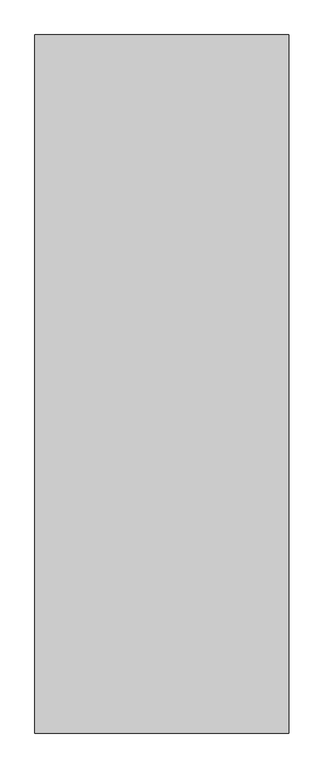
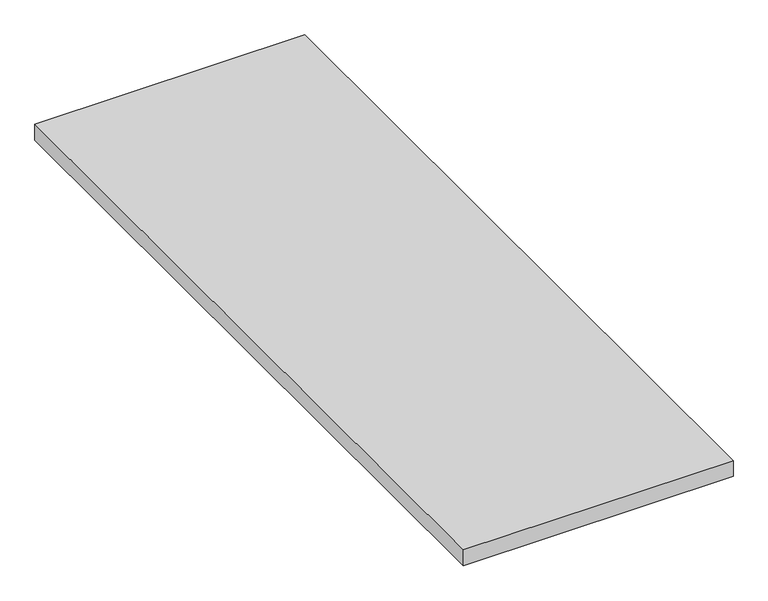
"""IFC4 building model written with IfcOpenShell, lengths in millimetres: proxy geometry."""

from ifc_helpers import new_model, si_unit, frame, origin, place, context, project, spatial, polyline, outline, extrude, source, transform, mapped, element, save


def generic_models_ab6fae24(model_context):
    return source(origin(), model_context, "Body", "SweptSolid", [
        extrude(outline(polyline([(863.0, -69.0), (863.0, -2367.4), (27.5, -2367.4), (27.5, -69.0), (863.0, -69.0)])), frame((0.0, 0.0, -68.0), z_axis=(0.0, 0.0, 1.0), x_axis=(1.0, 0.0, 0.0)), (0.0, 0.0, 1.0), 52.0),
    ])


if __name__ == "__main__":
    model = new_model("IFC4")
    model_context = context("Model", 3, world=origin())
    ifc_project = project(units=[si_unit("LENGTHUNIT", "METRE", prefix="MILLI")], contexts=[model_context])
    site = spatial("IfcSite", under=ifc_project)
    building = spatial("IfcBuilding", under=site)
    placement = place(None, origin())
    generic_models_shape = generic_models_ab6fae24(model_context)
    element("IfcBuildingElementProxy", 1, Name="Generic Models", at=placement, inside=building, context=model_context, shape_type="MappedRepresentation", body=[
        mapped(generic_models_shape, transform((0.0, 0.0, 0.0), x_axis=(1.0, 0.0, 0.0), y_axis=(0.0, 1.0, 0.0), z_axis=(0.0, 0.0, 1.0))),
    ])
    save(model, "model.ifc")
